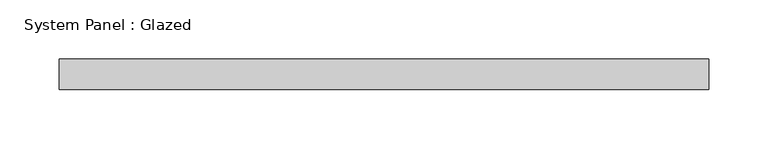
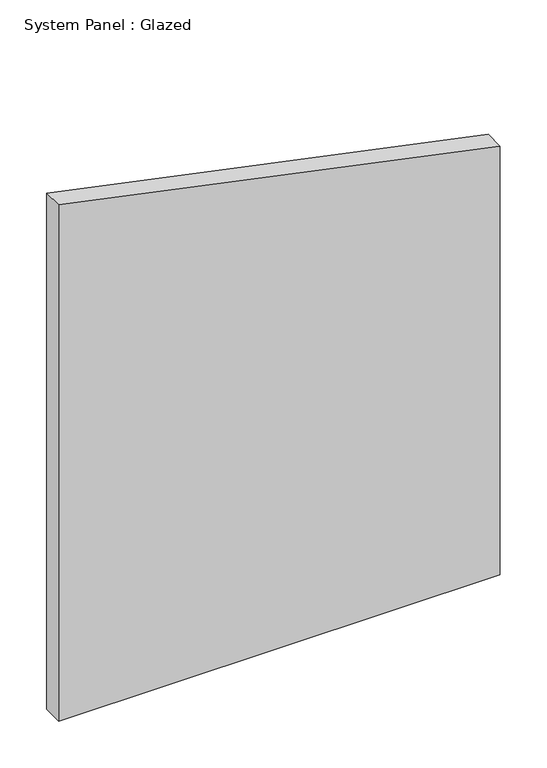
"""IFC4 building model written with IfcOpenShell, lengths in millimetres: plate geometry, System Panel : Glazed."""

from ifc_helpers import new_model, si_unit, frame, origin, place, context, project, spatial, polyline, outline, extrude, source, transform, mapped, element, save


def system_panel_glazed_c68a2453(model_context):
    return source(origin(), model_context, "Body", "SweptSolid", [
        extrude(outline(polyline([(0.0, -273.05), (0.0, 273.05), (560.2847043, 273.05), (674.827895, -273.05), (0.0, -273.05)])), frame((0.0, 19.05, 0.0), z_axis=(0.0, 1.0, 0.0), x_axis=(0.0, 0.0, 1.0)), (0.0, 0.0, 1.0), 25.4),
    ])


if __name__ == "__main__":
    model = new_model("IFC4")
    model_context = context("Model", 3, world=origin())
    ifc_project = project(units=[si_unit("LENGTHUNIT", "METRE", prefix="MILLI")], contexts=[model_context])
    site = spatial("IfcSite", under=ifc_project)
    building = spatial("IfcBuilding", under=site)
    placement = place(None, origin())
    system_panel_glazed_shape = system_panel_glazed_c68a2453(model_context)
    element("IfcPlate", 1, ObjectType="System Panel : Glazed", at=placement, inside=building, context=model_context, shape_type="MappedRepresentation", body=[
        mapped(system_panel_glazed_shape, transform((0.0, 0.0, 0.0), x_axis=(1.0, 0.0, 0.0), y_axis=(0.0, 1.0, 0.0), z_axis=(0.0, 0.0, 1.0))),
    ])
    save(model, "model.ifc")
